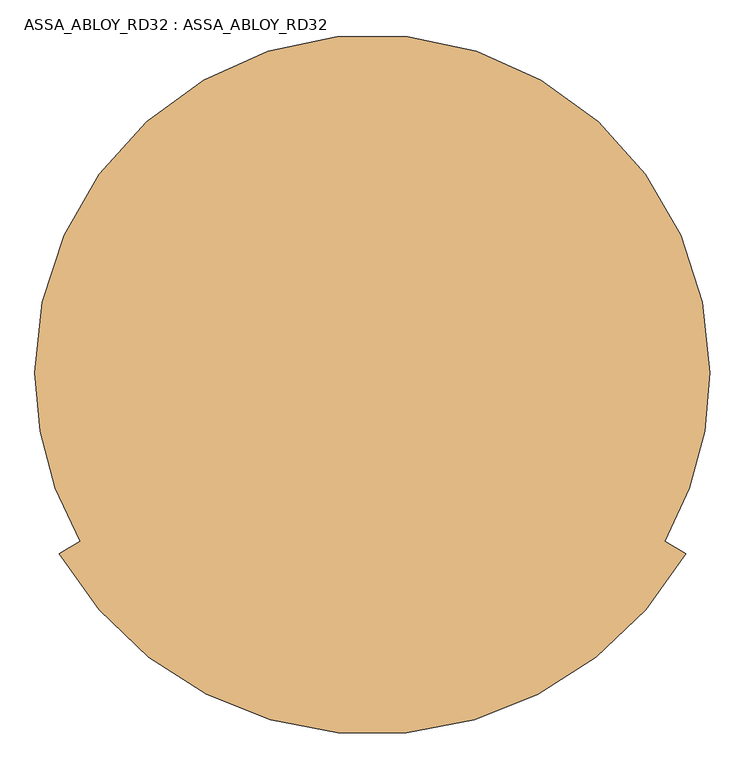
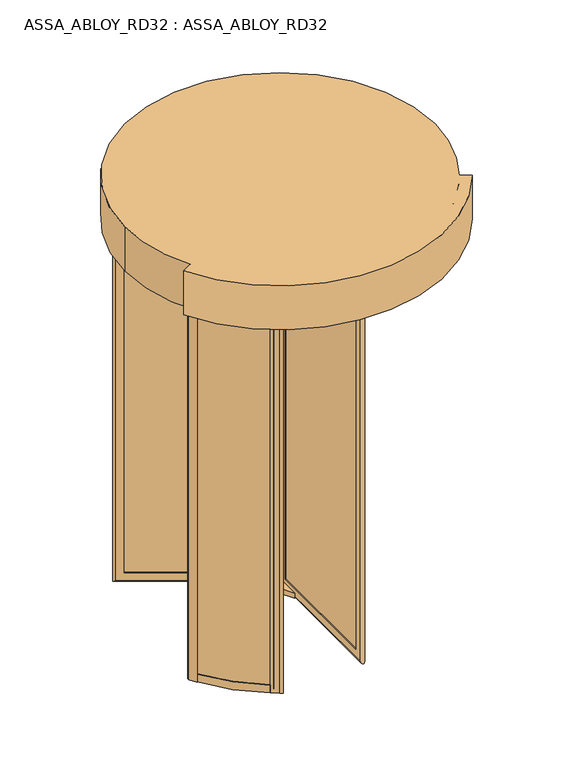
"""IFC4 building model written with IfcOpenShell, lengths in millimetres: door geometry, ASSA_ABLOY_RD32 : ASSA_ABLOY_RD32."""

from ifc_helpers import new_model, si_unit, point, frame, frame_2d, origin, origin_with_axes, place, context, project, spatial, polyline, circle_curve, ellipse_curve, trimmed, segment, composite_curve, outline, extrude, source, transform, mapped, element, save
from ifc_brep_helpers import plane_surface, cylinder_surface, revolved_surface, advanced_brep


def assa_abloy_rd32_assa_abloy_rd32_711bb0fd(model_context):
    return source(origin(), model_context, "Body", "SolidModel", [
        advanced_brep(
        [(1125.0, 0.0, 2800.0), (-875.0, 0.0, 2800.0), (-741.0254038, -500.0, 2800.0), (-803.3792329, -536.0, 2800.0), (1053.3792329, -536.0, 2800.0), (991.0254038, -500.0, 2800.0), (-875.0, 0.0, 2500.0), (1125.0, 0.0, 2500.0), (991.0254038, -500.0, 2785.0), (-741.0254038, -500.0, 2785.0), (1053.3792329, -536.0, 2500.0), (1042.986928, -530.0, 2500.0), (1042.986928, -530.0, 2785.0), (-792.986928, -530.0, 2785.0), (-792.986928, -530.0, 2500.0), (-803.3792329, -536.0, 2500.0)],
        [
            (0, 1, circle_curve(frame((125.0, 0.0, 2800.0), z_axis=(0.0, 0.0, 1.0), x_axis=(1.0, 0.0, 0.0)), 1000.0)),
            (1, 2, circle_curve(frame((125.0, 0.0, 2800.0), z_axis=(0.0, 0.0, 1.0), x_axis=(1.0, 0.0, 0.0)), 1000.0)),
            (2, 3),
            (3, 4, circle_curve(frame((125.0, 0.0, 2800.0), z_axis=(0.0, 0.0, 1.0), x_axis=(0.8660254037844377, -0.5000000000000016, 0.0)), 1072.0)),
            (4, 5),
            (5, 0, circle_curve(frame((125.0, 0.0, 2800.0), z_axis=(0.0, 0.0, 1.0), x_axis=(1.0, 0.0, 0.0)), 1000.0)),
            (6, 7, circle_curve(frame((125.0, 0.0, 2500.0), z_axis=(0.0, 0.0, -1.0), x_axis=(1.0, 0.0, 0.0)), 1000.0)),
            (7, 6, circle_curve(frame((125.0, 0.0, 2500.0), z_axis=(0.0, 0.0, -1.0), x_axis=(1.0, 0.0, 0.0)), 1000.0)),
            (0, 7),
            (6, 1),
            (5, 8),
            (8, 9, circle_curve(frame((125.0, 0.0, 2785.0), z_axis=(0.0, 0.0, -1.0), x_axis=(1.0, 0.0, 0.0)), 1000.0)),
            (9, 2),
            (4, 10),
            (10, 11),
            (11, 12),
            (12, 8),
            (13, 14),
            (14, 15),
            (15, 3),
            (9, 13),
            (15, 10, circle_curve(frame((125.0, 0.0, 2500.0), z_axis=(0.0, 0.0, 1.0), x_axis=(0.8660254037844377, -0.5000000000000016, 0.0)), 1072.0)),
            (14, 11, circle_curve(frame((125.0, 0.0, 2500.0), z_axis=(0.0, 0.0, 1.0), x_axis=(0.8660254037844377, -0.5000000000000016, 0.0)), 1060.0)),
            (13, 12, circle_curve(frame((125.0, 0.0, 2785.0), z_axis=(0.0, 0.0, 1.0), x_axis=(0.8660254037844377, -0.5000000000000016, 0.0)), 1060.0)),
        ],
        [
            plane_surface(frame((1125.0, 0.0, 2800.0), z_axis=(0.0, 0.0, 1.0), x_axis=(0.0, 1.0, 0.0))),
            plane_surface(frame((1125.0, 0.0, 2500.0), z_axis=(0.0, 0.0, -1.0), x_axis=(0.0, -1.0, 0.0))),
            cylinder_surface(frame((125.0, 0.0, 2500.0), z_axis=(0.0, 0.0, 1.0), x_axis=(1.0, 0.0, 0.0)), 1000.0),
            plane_surface(frame((988.4273276, -498.5, 2800.0), z_axis=(0.5000000000000017, 0.8660254037844378, 0.0), x_axis=(0.0, 0.0, 1.0))),
            plane_surface(frame((-738.4273276, -498.5, 2800.0), z_axis=(-0.5000000000000142, 0.8660254037844305, 0.0), x_axis=(0.0, 0.0, 1.0))),
            cylinder_surface(frame((125.0, 0.0, 2800.0), z_axis=(0.0, 0.0, -1.0), x_axis=(0.8660254037844377, -0.5000000000000016, 0.0)), 1072.0),
            plane_surface(frame((125.0, 0.0, 2500.0), z_axis=(0.0, 0.0, -1.0000000000000002), x_axis=(0.8660254037844378, -0.5000000000000017, 0.0))),
            revolved_surface(polyline([(1042.986928011504, -530.0000000000016, 2500.0), (1042.986928011504, -530.0000000000016, 2785.0)]), (125.0, 0.0, 2800.0), (0.0, 0.0, -1.0)),
            plane_surface(frame((125.0, 0.0, 2785.0), z_axis=(0.0, 0.0, -1.0000000000000002), x_axis=(0.8660254037844378, -0.5000000000000017, 0.0))),
        ],
        [
            (0, [[1, 2, 3, 4, 5, 6]]),
            (1, [[7, 8]]),
            (2, [[-1, 9, -7, 10]]),
            (2, [[-8, -9, -6, 11, 12, 13, -2, -10]]),
            (3, [[14, 15, 16, 17, -11, -5]]),
            (4, [[18, 19, 20, -3, -13, 21]]),
            (5, [[-14, -4, -20, 22]]),
            (6, [[-15, -22, -19, 23]]),
            (7, [[-16, -23, -18, 24]]),
            (8, [[-24, -21, -12, -17]]),
        ],
    ),
        advanced_brep(
        [(881.0172302, 424.939746, 105.0), (882.5172302, 422.3416698, 105.0), (882.5172302, 422.3416698, 2395.0), (881.0172302, 424.939746, 2395.0), (888.3377382, 452.260254, 85.0), (898.3377382, 434.939746, 85.0), (898.3377382, 434.939746, 2415.0), (888.3377382, 452.260254, 2415.0), (869.5172302, 444.8583302, 105.0), (871.0172302, 442.260254, 105.0), (871.0172302, 442.260254, 2395.0), (869.5172302, 444.8583302, 2395.0), (927.5505512, 448.3416698, 53.0), (914.5505512, 470.8583302, 53.0), (914.5505512, 470.8583302, 2447.0), (927.5505512, 448.3416698, 2447.0), (201.6480577, 29.2416698, 2395.0), (200.1480577, 31.839746, 2395.0), (182.8275496, 21.839746, 2415.0), (172.8275496, 39.160254, 2415.0), (190.1480577, 49.160254, 2395.0), (188.6480577, 51.7583302, 2395.0), (143.6147367, 25.7583302, 2447.0), (156.6147367, 3.2416698, 2447.0), (201.6480577, 29.2416698, 105.0), (200.1480577, 31.839746, 105.0), (182.8275496, 21.839746, 85.0), (172.8275496, 39.160254, 85.0), (190.1480577, 49.160254, 105.0), (188.6480577, 51.7583302, 105.0), (143.6147367, 25.7583302, 53.0), (156.6147367, 3.2416698, 53.0)],
        [
            (0, 1),
            (1, 2),
            (2, 3),
            (3, 0),
            (4, 5),
            (5, 6),
            (6, 7),
            (7, 4),
            (8, 9),
            (9, 10),
            (10, 11),
            (11, 8),
            (12, 13, ellipse_curve(frame((921.0505512, 459.6, 53.0), z_axis=(0.6123724356958007, 0.35355339059326285, 0.7071067811865475), x_axis=(0.6123724356957908, 0.3535533905932797, -0.7071067811865477)), 18.3847763, 13.0)),
            (13, 14),
            (14, 15, ellipse_curve(frame((921.0505512, 459.6, 2447.0), z_axis=(0.612372435695791, 0.3535533905932798, -0.7071067811865475), x_axis=(-0.6123724356958007, -0.3535533905932628, -0.7071067811865476)), 18.3847763, 13.0)),
            (15, 12),
            (2, 16),
            (16, 17),
            (17, 3),
            (6, 18),
            (18, 19),
            (19, 7),
            (10, 20),
            (20, 21),
            (21, 11),
            (14, 22),
            (22, 23, ellipse_curve(frame((150.1147367, 14.5, 2447.0), z_axis=(0.6123724356958007, 0.35355339059326285, 0.7071067811865475), x_axis=(0.6123724356957913, 0.35355339059327995, -0.7071067811865472)), 18.3847763, 13.0)),
            (23, 15),
            (16, 24),
            (24, 25),
            (25, 17),
            (18, 26),
            (26, 27),
            (27, 19),
            (20, 28),
            (28, 29),
            (29, 21),
            (22, 30),
            (30, 31, ellipse_curve(frame((150.1147367, 14.5, 53.0), z_axis=(-0.612372435695791, -0.3535533905932798, 0.7071067811865475), x_axis=(0.6123724356958007, 0.3535533905932628, 0.7071067811865476)), 18.3847763, 13.0)),
            (31, 23),
            (24, 1),
            (0, 25),
            (5, 26),
            (4, 27),
            (9, 28),
            (8, 29),
            (13, 30),
            (12, 31),
        ],
        [
            plane_surface(frame((882.5172302, 422.3416698, 105.0), z_axis=(-0.8660254037844419, -0.49999999999999445, 0.0), x_axis=(0.0, 0.0, 1.0))),
            plane_surface(frame((898.3377382, 434.939746, 85.0), z_axis=(-0.8660254037844408, -0.4999999999999964, 0.0), x_axis=(0.0, 0.0, 1.0))),
            plane_surface(frame((871.0172302, 442.260254, 105.0), z_axis=(-0.8660254037844419, -0.49999999999999445, 0.0), x_axis=(0.0, 0.0, 1.0))),
            cylinder_surface(frame((921.0505512, 459.6, 40.0), z_axis=(0.0, 0.0, -1.0), x_axis=(-0.8660254037844406, -0.4999999999999966, 0.0)), 13.0),
            plane_surface(frame((882.5172302, 422.3416698, 2395.0), z_axis=(0.0, 0.0, -1.0), x_axis=(-0.8660254037844406, -0.4999999999999966, 0.0))),
            plane_surface(frame((898.3377382, 434.939746, 2415.0), z_axis=(0.0, 0.0, -1.0), x_axis=(-0.8660254037844406, -0.4999999999999966, 0.0))),
            plane_surface(frame((871.0172302, 442.260254, 2395.0), z_axis=(0.0, 0.0, -1.0), x_axis=(-0.8660254037844406, -0.4999999999999966, 0.0))),
            cylinder_surface(frame((932.3088814, 466.1, 2447.0), z_axis=(0.8660254037844406, 0.4999999999999966, 0.0), x_axis=(0.0, 0.0, -1.0)), 13.0),
            plane_surface(frame((201.6480577, 29.2416698, 2395.0), z_axis=(0.8660254037844394, 0.49999999999999883, 0.0), x_axis=(0.0, 0.0, -1.0))),
            plane_surface(frame((182.8275496, 21.839746, 2415.0), z_axis=(0.8660254037844405, 0.4999999999999969, 0.0), x_axis=(0.0, 0.0, -1.0))),
            plane_surface(frame((190.1480577, 49.160254, 2395.0), z_axis=(0.8660254037844394, 0.49999999999999883, 0.0), x_axis=(0.0, 0.0, -1.0))),
            cylinder_surface(frame((150.1147367, 14.5, 2460.0), z_axis=(0.0, 0.0, 1.0), x_axis=(0.8660254037844406, 0.4999999999999966, 0.0)), 13.0),
            plane_surface(frame((201.6480577, 29.2416698, 105.0), z_axis=(0.0, 0.0, 1.0), x_axis=(0.8660254037844406, 0.4999999999999966, 0.0))),
            plane_surface(frame((200.1480577, 31.839746, 105.0), z_axis=(-0.4999999999999966, 0.8660254037844406, 0.0), x_axis=(0.8660254037844406, 0.4999999999999966, 0.0))),
            plane_surface(frame((182.8275496, 21.839746, 85.0), z_axis=(0.0, 0.0, 1.0), x_axis=(0.8660254037844406, 0.4999999999999966, 0.0))),
            plane_surface(frame((172.8275496, 39.160254, 85.0), z_axis=(0.4999999999999966, -0.8660254037844406, 0.0), x_axis=(0.8660254037844406, 0.4999999999999966, 0.0))),
            plane_surface(frame((190.1480577, 49.160254, 105.0), z_axis=(0.0, 0.0, 1.0), x_axis=(0.8660254037844406, 0.4999999999999966, 0.0))),
            plane_surface(frame((188.6480577, 51.7583302, 105.0), z_axis=(-0.4999999999999966, 0.8660254037844406, 0.0), x_axis=(0.8660254037844406, 0.4999999999999966, 0.0))),
            cylinder_surface(frame((138.8564065, 8.0, 53.0), z_axis=(-0.8660254037844406, -0.4999999999999966, 0.0), x_axis=(0.0, 0.0, 1.0)), 13.0),
            plane_surface(frame((156.6147367, 3.2416698, 53.0), z_axis=(0.4999999999999966, -0.8660254037844406, 0.0), x_axis=(0.8660254037844406, 0.4999999999999966, 0.0))),
        ],
        [
            (0, [[1, 2, 3, 4]]),
            (1, [[5, 6, 7, 8]]),
            (2, [[9, 10, 11, 12]]),
            (3, [[13, 14, 15, 16]]),
            (4, [[-3, 17, 18, 19]]),
            (5, [[-7, 20, 21, 22]]),
            (6, [[-11, 23, 24, 25]]),
            (7, [[-15, 26, 27, 28]]),
            (8, [[-18, 29, 30, 31]]),
            (9, [[-21, 32, 33, 34]]),
            (10, [[-24, 35, 36, 37]]),
            (11, [[-27, 38, 39, 40]]),
            (12, [[-30, 41, -1, 42]]),
            (13, [[43, -32, -20, -6], [-19, -31, -42, -4]]),
            (14, [[-33, -43, -5, 44]]),
            (15, [[-22, -34, -44, -8], [45, -35, -23, -10]]),
            (16, [[-36, -45, -9, 46]]),
            (17, [[47, -38, -26, -14], [-25, -37, -46, -12]]),
            (18, [[-39, -47, -13, 48]]),
            (19, [[-28, -40, -48, -16], [-41, -29, -17, -2]]),
        ],
    ),
        extrude(outline(polyline([(890.8377382, 447.930127), (895.8377382, 439.269873), (180.3275496, 26.169873), (175.3275496, 34.830127), (890.8377382, 447.930127)])), frame((0.0, 0.0, 85.0), z_axis=(0.0, 0.0, 1.0), x_axis=(1.0, 0.0, 0.0)), (0.0, 0.0, 1.0), 2330.0),
        advanced_brep(
        [(-621.0172302, 442.260254, 105.0), (-619.5172302, 444.8583302, 105.0), (-619.5172302, 444.8583302, 2395.0), (-621.0172302, 442.260254, 2395.0), (-648.3377382, 434.939746, 85.0), (-638.3377382, 452.260254, 85.0), (-638.3377382, 452.260254, 2415.0), (-648.3377382, 434.939746, 2415.0), (-632.5172302, 422.3416698, 105.0), (-631.0172302, 424.939746, 105.0), (-631.0172302, 424.939746, 2395.0), (-632.5172302, 422.3416698, 2395.0), (-664.5505512, 470.8583302, 53.0), (-677.5505512, 448.3416698, 53.0), (-677.5505512, 448.3416698, 2447.0), (-664.5505512, 470.8583302, 2447.0), (61.3519423, 51.7583302, 2395.0), (59.8519423, 49.160254, 2395.0), (77.1724504, 39.160254, 2415.0), (67.1724504, 21.839746, 2415.0), (49.8519423, 31.839746, 2395.0), (48.3519423, 29.2416698, 2395.0), (93.3852633, 3.2416698, 2447.0), (106.3852633, 25.7583302, 2447.0), (61.3519423, 51.7583302, 105.0), (59.8519423, 49.160254, 105.0), (77.1724504, 39.160254, 85.0), (67.1724504, 21.839746, 85.0), (49.8519423, 31.839746, 105.0), (48.3519423, 29.2416698, 105.0), (93.3852633, 3.2416698, 53.0), (106.3852633, 25.7583302, 53.0)],
        [
            (0, 1),
            (1, 2),
            (2, 3),
            (3, 0),
            (4, 5),
            (5, 6),
            (6, 7),
            (7, 4),
            (8, 9),
            (9, 10),
            (10, 11),
            (11, 8),
            (12, 13, ellipse_curve(frame((-671.0505512, 459.6, 53.0), z_axis=(-0.612372435695792, 0.35355339059327806, 0.7071067811865475), x_axis=(-0.6123724356958017, 0.3535533905932611, -0.7071067811865476)), 18.3847763, 13.0)),
            (13, 14),
            (14, 15, ellipse_curve(frame((-671.0505512, 459.6, 2447.0), z_axis=(-0.6123724356958017, 0.35355339059326113, -0.7071067811865475), x_axis=(0.6123724356957919, -0.353553390593278, -0.7071067811865477)), 18.3847763, 13.0)),
            (15, 12),
            (2, 16),
            (16, 17),
            (17, 3),
            (6, 18),
            (18, 19),
            (19, 7),
            (10, 20),
            (20, 21),
            (21, 11),
            (14, 22),
            (22, 23, ellipse_curve(frame((99.8852633, 14.5, 2447.0), z_axis=(-0.612372435695792, 0.35355339059327806, 0.7071067811865475), x_axis=(-0.6123724356958017, 0.3535533905932612, -0.7071067811865475)), 18.3847763, 13.0)),
            (23, 15),
            (16, 24),
            (24, 25),
            (25, 17),
            (18, 26),
            (26, 27),
            (27, 19),
            (20, 28),
            (28, 29),
            (29, 21),
            (22, 30),
            (30, 31, ellipse_curve(frame((99.8852633, 14.5, 53.0), z_axis=(0.6123724356958017, -0.35355339059326113, 0.7071067811865475), x_axis=(-0.6123724356957919, 0.353553390593278, 0.7071067811865477)), 18.3847763, 13.0)),
            (31, 23),
            (24, 1),
            (0, 25),
            (5, 26),
            (4, 27),
            (9, 28),
            (8, 29),
            (13, 30),
            (12, 31),
        ],
        [
            plane_surface(frame((-619.5172302, 444.8583302, 105.0), z_axis=(0.8660254037844408, -0.4999999999999964, 0.0), x_axis=(0.0, 0.0, 1.0))),
            plane_surface(frame((-638.3377382, 452.260254, 85.0), z_axis=(0.8660254037844419, -0.49999999999999445, 0.0), x_axis=(0.0, 0.0, 1.0))),
            plane_surface(frame((-631.0172302, 424.939746, 105.0), z_axis=(0.8660254037844408, -0.4999999999999964, 0.0), x_axis=(0.0, 0.0, 1.0))),
            cylinder_surface(frame((-671.0505512, 459.6, 40.0), z_axis=(0.0, 0.0, -1.0), x_axis=(0.8660254037844415, -0.49999999999999384, 0.0)), 13.0),
            plane_surface(frame((-619.5172302, 444.8583302, 2395.0), z_axis=(0.0, 0.0, -1.0), x_axis=(0.866025403784442, -0.49999999999999417, 0.0))),
            plane_surface(frame((-638.3377382, 452.260254, 2415.0), z_axis=(0.0, 0.0, -1.0), x_axis=(0.866025403784442, -0.49999999999999417, 0.0))),
            plane_surface(frame((-631.0172302, 424.939746, 2395.0), z_axis=(0.0, 0.0, -1.0), x_axis=(0.866025403784442, -0.49999999999999417, 0.0))),
            cylinder_surface(frame((-682.3088814, 466.1, 2447.0), z_axis=(-0.8660254037844415, 0.49999999999999384, 0.0), x_axis=(0.0, 0.0, -1.0)), 13.0),
            plane_surface(frame((61.3519423, 51.7583302, 2395.0), z_axis=(-0.8660254037844433, 0.49999999999999195, 0.0), x_axis=(0.0, 0.0, -1.0))),
            plane_surface(frame((77.1724504, 39.160254, 2415.0), z_axis=(-0.8660254037844421, 0.4999999999999939, 0.0), x_axis=(0.0, 0.0, -1.0))),
            plane_surface(frame((49.8519423, 31.839746, 2395.0), z_axis=(-0.8660254037844433, 0.49999999999999195, 0.0), x_axis=(0.0, 0.0, -1.0))),
            cylinder_surface(frame((99.8852633, 14.5, 2460.0), z_axis=(0.0, 0.0, 1.0), x_axis=(-0.8660254037844415, 0.49999999999999384, 0.0)), 13.0),
            plane_surface(frame((61.3519423, 51.7583302, 105.0), z_axis=(0.0, 0.0, 1.0), x_axis=(-0.866025403784442, 0.49999999999999417, 0.0))),
            plane_surface(frame((59.8519423, 49.160254, 105.0), z_axis=(-0.49999999999999417, -0.866025403784442, 0.0), x_axis=(-0.866025403784442, 0.49999999999999417, 0.0))),
            plane_surface(frame((77.1724504, 39.160254, 85.0), z_axis=(0.0, 0.0, 1.0), x_axis=(-0.866025403784442, 0.49999999999999417, 0.0))),
            plane_surface(frame((67.1724504, 21.839746, 85.0), z_axis=(0.49999999999999417, 0.866025403784442, 0.0), x_axis=(-0.866025403784442, 0.49999999999999417, 0.0))),
            plane_surface(frame((49.8519423, 31.839746, 105.0), z_axis=(0.0, 0.0, 1.0), x_axis=(-0.866025403784442, 0.49999999999999417, 0.0))),
            plane_surface(frame((48.3519423, 29.2416698, 105.0), z_axis=(-0.49999999999999417, -0.866025403784442, 0.0), x_axis=(-0.866025403784442, 0.49999999999999417, 0.0))),
            cylinder_surface(frame((111.1435935, 8.0, 53.0), z_axis=(0.8660254037844415, -0.49999999999999384, 0.0), x_axis=(0.0, 0.0, 1.0)), 13.0),
            plane_surface(frame((106.3852633, 25.7583302, 53.0), z_axis=(0.49999999999999417, 0.866025403784442, 0.0), x_axis=(-0.866025403784442, 0.49999999999999417, 0.0))),
        ],
        [
            (0, [[1, 2, 3, 4]]),
            (1, [[5, 6, 7, 8]]),
            (2, [[9, 10, 11, 12]]),
            (3, [[13, 14, 15, 16]]),
            (4, [[-3, 17, 18, 19]]),
            (5, [[-7, 20, 21, 22]]),
            (6, [[-11, 23, 24, 25]]),
            (7, [[-15, 26, 27, 28]]),
            (8, [[-18, 29, 30, 31]]),
            (9, [[-21, 32, 33, 34]]),
            (10, [[-24, 35, 36, 37]]),
            (11, [[-27, 38, 39, 40]]),
            (12, [[-30, 41, -1, 42]]),
            (13, [[43, -32, -20, -6], [-19, -31, -42, -4]]),
            (14, [[-33, -43, -5, 44]]),
            (15, [[-22, -34, -44, -8], [45, -35, -23, -10]]),
            (16, [[-36, -45, -9, 46]]),
            (17, [[47, -38, -26, -14], [-25, -37, -46, -12]]),
            (18, [[-39, -47, -13, 48]]),
            (19, [[-28, -40, -48, -16], [-41, -29, -17, -2]]),
        ],
    ),
        extrude(outline(polyline([(-645.8377382, 439.269873), (-640.8377382, 447.930127), (74.6724504, 34.830127), (69.6724504, 26.169873), (-645.8377382, 439.269873)])), frame((0.0, 0.0, 85.0), z_axis=(0.0, 0.0, 1.0), x_axis=(1.0, 0.0, 0.0)), (0.0, 0.0, 1.0), 2330.0),
        advanced_brep(
        [(115.0, -867.2, 105.0), (112.0, -867.2, 105.0), (112.0, -867.2, 2395.0), (115.0, -867.2, 2395.0), (135.0, -887.2, 85.0), (115.0, -887.2, 85.0), (115.0, -887.2, 2415.0), (135.0, -887.2, 2415.0), (138.0, -867.2, 105.0), (135.0, -867.2, 105.0), (135.0, -867.2, 2395.0), (138.0, -867.2, 2395.0), (112.0, -919.2, 53.0), (138.0, -919.2, 53.0), (138.0, -919.2, 2447.0), (112.0, -919.2, 2447.0), (112.0, -81.0, 2395.0), (115.0, -81.0, 2395.0), (115.0, -61.0, 2415.0), (135.0, -61.0, 2415.0), (135.0, -81.0, 2395.0), (138.0, -81.0, 2395.0), (138.0, -29.0, 2447.0), (112.0, -29.0, 2447.0), (112.0, -81.0, 105.0), (115.0, -81.0, 105.0), (115.0, -61.0, 85.0), (135.0, -61.0, 85.0), (135.0, -81.0, 105.0), (138.0, -81.0, 105.0), (138.0, -29.0, 53.0), (112.0, -29.0, 53.0)],
        [
            (0, 1),
            (1, 2),
            (2, 3),
            (3, 0),
            (4, 5),
            (5, 6),
            (6, 7),
            (7, 4),
            (8, 9),
            (9, 10),
            (10, 11),
            (11, 8),
            (12, 13, ellipse_curve(frame((125.0, -919.2, 53.0), z_axis=(0.0, -0.7071067811865475, 0.7071067811865475), x_axis=(0.0, -0.7071067811865474, -0.7071067811865476)), 18.3847763, 13.0)),
            (13, 14),
            (14, 15, ellipse_curve(frame((125.0, -919.2, 2447.0), z_axis=(0.0, -0.7071067811865475, -0.7071067811865475), x_axis=(0.0, 0.7071067811865474, -0.7071067811865476)), 18.3847763, 13.0)),
            (15, 12),
            (2, 16),
            (16, 17),
            (17, 3),
            (6, 18),
            (18, 19),
            (19, 7),
            (10, 20),
            (20, 21),
            (21, 11),
            (14, 22),
            (22, 23, ellipse_curve(frame((125.0, -29.0, 2447.0), z_axis=(0.0, -0.7071067811865475, 0.7071067811865475), x_axis=(0.0, -0.7071067811865476, -0.7071067811865474)), 18.3847763, 13.0)),
            (23, 15),
            (16, 24),
            (24, 25),
            (25, 17),
            (18, 26),
            (26, 27),
            (27, 19),
            (20, 28),
            (28, 29),
            (29, 21),
            (22, 30),
            (30, 31, ellipse_curve(frame((125.0, -29.0, 53.0), z_axis=(0.0, 0.7071067811865475, 0.7071067811865475), x_axis=(0.0, -0.7071067811865474, 0.7071067811865476)), 18.3847763, 13.0)),
            (31, 23),
            (24, 1),
            (0, 25),
            (5, 26),
            (4, 27),
            (9, 28),
            (8, 29),
            (13, 30),
            (12, 31),
        ],
        [
            plane_surface(frame((112.0, -867.2, 105.0), z_axis=(0.0, 1.0, 0.0), x_axis=(0.0, 0.0, 1.0))),
            plane_surface(frame((115.0, -887.2, 85.0), z_axis=(0.0, 1.0, 0.0), x_axis=(0.0, 0.0, 1.0))),
            plane_surface(frame((135.0, -867.2, 105.0), z_axis=(0.0, 1.0, 0.0), x_axis=(0.0, 0.0, 1.0))),
            cylinder_surface(frame((125.0, -919.2, 40.0), z_axis=(0.0, 0.0, -1.0), x_axis=(0.0, 1.0000000000000009, 0.0)), 13.0),
            plane_surface(frame((112.0, -867.2, 2395.0), z_axis=(0.0, 0.0, -1.0), x_axis=(0.0, 1.0, 0.0))),
            plane_surface(frame((115.0, -887.2, 2415.0), z_axis=(0.0, 0.0, -1.0), x_axis=(0.0, 1.0, 0.0))),
            plane_surface(frame((135.0, -867.2, 2395.0), z_axis=(0.0, 0.0, -1.0), x_axis=(0.0, 1.0, 0.0))),
            cylinder_surface(frame((125.0, -932.2, 2447.0), z_axis=(0.0, -1.0000000000000009, 0.0), x_axis=(0.0, 0.0, -1.0)), 13.0),
            plane_surface(frame((112.0, -81.0, 2395.0), z_axis=(0.0, -1.0, 0.0), x_axis=(0.0, 0.0, -1.0))),
            plane_surface(frame((115.0, -61.0, 2415.0), z_axis=(0.0, -1.0, 0.0), x_axis=(0.0, 0.0, -1.0))),
            plane_surface(frame((135.0, -81.0, 2395.0), z_axis=(0.0, -1.0, 0.0), x_axis=(0.0, 0.0, -1.0))),
            cylinder_surface(frame((125.0, -29.0, 2460.0), z_axis=(0.0, 0.0, 1.0), x_axis=(0.0, -1.0000000000000009, 0.0)), 13.0),
            plane_surface(frame((112.0, -81.0, 105.0), z_axis=(0.0, 0.0, 1.0), x_axis=(0.0, -1.0, 0.0))),
            plane_surface(frame((115.0, -81.0, 105.0), z_axis=(1.0, 0.0, 0.0), x_axis=(0.0, -1.0, 0.0))),
            plane_surface(frame((115.0, -61.0, 85.0), z_axis=(0.0, 0.0, 1.0), x_axis=(0.0, -1.0, 0.0))),
            plane_surface(frame((135.0, -61.0, 85.0), z_axis=(-1.0, 0.0, 0.0), x_axis=(0.0, -1.0, 0.0))),
            plane_surface(frame((135.0, -81.0, 105.0), z_axis=(0.0, 0.0, 1.0), x_axis=(0.0, -1.0, 0.0))),
            plane_surface(frame((138.0, -81.0, 105.0), z_axis=(1.0, 0.0, 0.0), x_axis=(0.0, -1.0, 0.0))),
            cylinder_surface(frame((125.0, -16.0, 53.0), z_axis=(0.0, 1.0000000000000009, 0.0), x_axis=(0.0, 0.0, 1.0)), 13.0),
            plane_surface(frame((112.0, -29.0, 53.0), z_axis=(-1.0, 0.0, 0.0), x_axis=(0.0, -1.0, 0.0))),
        ],
        [
            (0, [[1, 2, 3, 4]]),
            (1, [[5, 6, 7, 8]]),
            (2, [[9, 10, 11, 12]]),
            (3, [[13, 14, 15, 16]]),
            (4, [[-3, 17, 18, 19]]),
            (5, [[-7, 20, 21, 22]]),
            (6, [[-11, 23, 24, 25]]),
            (7, [[-15, 26, 27, 28]]),
            (8, [[-18, 29, 30, 31]]),
            (9, [[-21, 32, 33, 34]]),
            (10, [[-24, 35, 36, 37]]),
            (11, [[-27, 38, 39, 40]]),
            (12, [[-30, 41, -1, 42]]),
            (13, [[43, -32, -20, -6], [-19, -31, -42, -4]]),
            (14, [[-33, -43, -5, 44]]),
            (15, [[-22, -34, -44, -8], [45, -35, -23, -10]]),
            (16, [[-36, -45, -9, 46]]),
            (17, [[47, -38, -26, -14], [-25, -37, -46, -12]]),
            (18, [[-39, -47, -13, 48]]),
            (19, [[-28, -40, -48, -16], [-41, -29, -17, -2]]),
        ],
    ),
        extrude(outline(polyline([(130.0, -887.2), (120.0, -887.2), (120.0, -61.0), (130.0, -61.0), (130.0, -887.2)])), frame((0.0, 0.0, 85.0), z_axis=(0.0, 0.0, 1.0), x_axis=(1.0, 0.0, 0.0)), (0.0, 0.0, 1.0), 2330.0),
        extrude(outline(polyline([(112.0, -191.5593903), (-47.3952983, 84.5213649), (112.0, -7.5055535), (112.0, -191.5593903)])), frame((0.0, 0.0, 2460.0), z_axis=(0.0, 0.0, 1.0), x_axis=(1.0, 0.0, 0.0)), (0.0, 0.0, 1.0), 31.5),
        extrude(outline(polyline([(-34.3952983, 107.0380254), (284.3952983, 107.0380254), (125.0, 15.011107), (-34.3952983, 107.0380254)])), frame((0.0, 0.0, 2460.0), z_axis=(0.0, 0.0, 1.0), x_axis=(1.0, 0.0, 0.0)), (0.0, 0.0, 1.0), 31.5),
        extrude(outline(polyline([(297.3952983, 84.5213649), (138.0, -191.5593903), (138.0, -7.5055535), (297.3952983, 84.5213649)])), frame((0.0, 0.0, 2460.0), z_axis=(0.0, 0.0, 1.0), x_axis=(1.0, 0.0, 0.0)), (0.0, 0.0, 1.0), 31.5),
        extrude(outline(polyline([(297.3952983, 84.5213649), (138.0, -191.5593903), (138.0, -7.5055535), (297.3952983, 84.5213649)])), frame((0.0, 0.0, 40.0), z_axis=(0.0, 0.0, 1.0), x_axis=(1.0, 0.0, 0.0)), (0.0, 0.0, 1.0), 34.93),
        extrude(outline(polyline([(112.0, -191.5593903), (-47.3952983, 84.5213649), (112.0, -7.5055535), (112.0, -191.5593903)])), frame((0.0, 0.0, 40.0), z_axis=(0.0, 0.0, 1.0), x_axis=(1.0, 0.0, 0.0)), (0.0, 0.0, 1.0), 34.93),
        extrude(outline(polyline([(-34.3952983, 107.0380254), (284.3952983, 107.0380254), (125.0, 15.011107), (-34.3952983, 107.0380254)])), frame((0.0, 0.0, 40.0), z_axis=(0.0, 0.0, 1.0), x_axis=(1.0, 0.0, 0.0)), (0.0, 0.0, 1.0), 34.93),
        extrude(outline(composite_curve([segment(trimmed(circle_curve(frame_2d((125.0, 0.0)), 12.5), [point((137.5, 0.0))], [point((112.5, 0.0))], False, "CARTESIAN"), True, "CONTINUOUS"), segment(trimmed(circle_curve(frame_2d((125.0, 0.0)), 12.5), [point((112.5, 0.0))], [point((137.5, 0.0))], False, "CARTESIAN"), True, "CONTINUOUS")], self_intersect=False)), origin_with_axes(), (0.0, 0.0, 1.0), 2500.0),
        extrude(outline(composite_curve([segment(trimmed(circle_curve(frame_2d((125.0, 0.0)), 1030.5), [point((-740.9480504, -558.6270885))], [point((-418.4291296, -875.5655493))], True, "CARTESIAN"), True, "CONTINUOUS"), segment(polyline([(-418.4291296, -875.5655493), (-423.7025806, -884.0620612)]), True, "CONTINUOUS"), segment(trimmed(circle_curve(frame_2d((125.0, 0.0)), 1040.5), [point((-423.7025806, -884.0620612))], [point((-749.3512338, -564.0480209))], False, "CARTESIAN"), True, "CONTINUOUS"), segment(polyline([(-749.3512338, -564.0480209), (-740.9480504, -558.6270885)]), True, "CONTINUOUS")], self_intersect=False)), frame((0.0, 0.0, 33.0), z_axis=(0.0, 0.0, 1.0), x_axis=(1.0, 0.0, 0.0)), (0.0, 0.0, 1.0), 2467.0),
        advanced_brep(
        [(-430.3575895, -858.5360783, 2556.0), (-444.4791517, -880.3668246, 2556.0), (-444.4791517, -880.3668246, 2503.0), (-442.8497407, -877.8478923, 2503.0), (-442.8497407, -877.8478923, 2523.0), (-431.9870005, -861.0550106, 2523.0), (-431.9870005, -861.0550106, 2503.0), (-430.3575895, -858.5360783, 2503.0), (-723.7129927, -570.2565264, 2556.0), (-723.7129927, -570.2565264, 2503.0), (-726.2031042, -571.9296507, 2503.0), (-726.2031042, -571.9296507, 2523.0), (-742.8038474, -583.0838126, 2523.0), (-742.8038474, -583.0838126, 2503.0), (-745.2939588, -584.7569369, 2503.0), (-745.2939588, -584.7569369, 2556.0)],
        [
            (0, 1),
            (1, 2),
            (2, 3),
            (3, 4),
            (4, 5),
            (5, 6),
            (6, 7),
            (7, 0),
            (8, 9),
            (9, 10),
            (10, 11),
            (11, 12),
            (12, 13),
            (13, 14),
            (14, 15),
            (15, 8),
            (15, 1, circle_curve(frame((125.0, 0.0, 2556.0), z_axis=(0.0, 0.0, 1.0), x_axis=(-0.543137006851107, -0.8396440863775679, 0.0)), 1048.5)),
            (0, 8, circle_curve(frame((125.0, 0.0, 2556.0), z_axis=(0.0, 0.0, -1.0), x_axis=(-0.543137006851107, -0.8396440863775679, 0.0)), 1022.5)),
            (14, 2, circle_curve(frame((125.0, 0.0, 2503.0), z_axis=(0.0, 0.0, 1.0), x_axis=(-0.543137006851107, -0.8396440863775679, 0.0)), 1048.5)),
            (13, 3, circle_curve(frame((125.0, 0.0, 2503.0), z_axis=(0.0, 0.0, 1.0), x_axis=(-0.543137006851107, -0.8396440863775679, 0.0)), 1045.5)),
            (12, 4, circle_curve(frame((125.0, 0.0, 2523.0), z_axis=(0.0, 0.0, 1.0), x_axis=(-0.543137006851107, -0.8396440863775679, 0.0)), 1045.5)),
            (11, 5, circle_curve(frame((125.0, 0.0, 2523.0), z_axis=(0.0, 0.0, 1.0), x_axis=(-0.543137006851107, -0.8396440863775679, 0.0)), 1025.5)),
            (10, 6, circle_curve(frame((125.0, 0.0, 2503.0), z_axis=(0.0, 0.0, 1.0), x_axis=(-0.543137006851107, -0.8396440863775679, 0.0)), 1025.5)),
            (9, 7, circle_curve(frame((125.0, 0.0, 2503.0), z_axis=(0.0, 0.0, 1.0), x_axis=(-0.543137006851107, -0.8396440863775679, 0.0)), 1022.5)),
        ],
        [
            plane_surface(frame((-444.4791517, -880.3668246, 2556.0), z_axis=(0.8396440863775679, -0.543137006851107, 0.0), x_axis=(0.0, 0.0, 1.0))),
            plane_surface(frame((-745.2939588, -584.7569369, 2556.0), z_axis=(-0.55770809431236, 0.8300371567215987, 0.0), x_axis=(0.0, 0.0, 1.0))),
            plane_surface(frame((125.0, 0.0, 2556.0), z_axis=(0.0, 0.0, 1.0000000000000002), x_axis=(-0.543137006851107, -0.8396440863775679, 0.0))),
            cylinder_surface(frame((125.0, 0.0, 2556.0), z_axis=(0.0, 0.0, -1.0), x_axis=(-0.543137006851107, -0.8396440863775679, 0.0)), 1048.5),
            plane_surface(frame((125.0, 0.0, 2503.0), z_axis=(0.0, 0.0, -1.0000000000000002), x_axis=(-0.543137006851107, -0.8396440863775679, 0.0))),
            revolved_surface(polyline([(-442.84974066283235, -877.8478923077473, 2503.0), (-442.84974066283235, -877.8478923077473, 2523.0)]), (125.0, 0.0, 2556.0), (0.0, 0.0, -1.0)),
            plane_surface(frame((125.0, 0.0, 2523.0), z_axis=(0.0, 0.0, -1.0000000000000002), x_axis=(-0.543137006851107, -0.8396440863775679, 0.0))),
            cylinder_surface(frame((125.0, 0.0, 2556.0), z_axis=(0.0, 0.0, -1.0), x_axis=(-0.543137006851107, -0.8396440863775679, 0.0)), 1025.5),
            revolved_surface(polyline([(-430.3575895052569, -858.5360783210632, 2503.0), (-430.3575895052569, -858.5360783210632, 2556.0)]), (125.0, 0.0, 2556.0), (0.0, 0.0, -1.0)),
        ],
        [
            (0, [[1, 2, 3, 4, 5, 6, 7, 8]]),
            (1, [[9, 10, 11, 12, 13, 14, 15, 16]]),
            (2, [[17, -1, 18, -16]]),
            (3, [[19, -2, -17, -15]]),
            (4, [[20, -3, -19, -14]]),
            (5, [[21, -4, -20, -13]]),
            (6, [[22, -5, -21, -12]]),
            (7, [[23, -6, -22, -11]]),
            (4, [[24, -7, -23, -10]]),
            (8, [[-18, -8, -24, -9]]),
        ],
    ),
        advanced_brep(
        [(-430.3575895, -858.5360783, 10.0), (-430.3575895, -858.5360783, 63.0), (-431.9870005, -861.0550106, 63.0), (-431.9870005, -861.0550106, 43.0), (-442.8497407, -877.8478923, 43.0), (-442.8497407, -877.8478923, 63.0), (-444.4791517, -880.3668246, 63.0), (-444.4791517, -880.3668246, 10.0), (-723.7129927, -570.2565264, 10.0), (-745.2939588, -584.7569369, 10.0), (-745.2939588, -584.7569369, 63.0), (-742.8038474, -583.0838126, 63.0), (-742.8038474, -583.0838126, 43.0), (-726.2031042, -571.9296507, 43.0), (-726.2031042, -571.9296507, 63.0), (-723.7129927, -570.2565264, 63.0)],
        [
            (0, 1),
            (1, 2),
            (2, 3),
            (3, 4),
            (4, 5),
            (5, 6),
            (6, 7),
            (7, 0),
            (8, 9),
            (9, 10),
            (10, 11),
            (11, 12),
            (12, 13),
            (13, 14),
            (14, 15),
            (15, 8),
            (15, 1, circle_curve(frame((125.0, 0.0, 63.0), z_axis=(0.0, 0.0, 1.0), x_axis=(-0.5431370068511069, -0.8396440863775679, 0.0)), 1022.5)),
            (0, 8, circle_curve(frame((125.0, 0.0, 10.0), z_axis=(0.0, 0.0, -1.0), x_axis=(-0.5431370068511069, -0.8396440863775679, 0.0)), 1022.5)),
            (14, 2, circle_curve(frame((125.0, 0.0, 63.0), z_axis=(0.0, 0.0, 1.0), x_axis=(-0.5431370068511069, -0.8396440863775679, 0.0)), 1025.5)),
            (13, 3, circle_curve(frame((125.0, 0.0, 43.0), z_axis=(0.0, 0.0, 1.0), x_axis=(-0.5431370068511069, -0.8396440863775679, 0.0)), 1025.5)),
            (12, 4, circle_curve(frame((125.0, 0.0, 43.0), z_axis=(0.0, 0.0, 1.0), x_axis=(-0.5431370068511069, -0.8396440863775679, 0.0)), 1045.5)),
            (11, 5, circle_curve(frame((125.0, 0.0, 63.0), z_axis=(0.0, 0.0, 1.0), x_axis=(-0.5431370068511069, -0.8396440863775679, 0.0)), 1045.5)),
            (10, 6, circle_curve(frame((125.0, 0.0, 63.0), z_axis=(0.0, 0.0, 1.0), x_axis=(-0.5431370068511069, -0.8396440863775679, 0.0)), 1048.5)),
            (9, 7, circle_curve(frame((125.0, 0.0, 10.0), z_axis=(0.0, 0.0, 1.0), x_axis=(-0.5431370068511069, -0.8396440863775679, 0.0)), 1048.5)),
        ],
        [
            plane_surface(frame((-444.4791517, -880.3668246, 0.0), z_axis=(0.8396440863775679, -0.5431370068511068, 0.0), x_axis=(0.0, 0.0, 1.0))),
            plane_surface(frame((-745.2939588, -584.7569369, 0.0), z_axis=(-0.5577080943123598, 0.830037156721599, 0.0), x_axis=(0.0, 0.0, 1.0))),
            revolved_surface(polyline([(-430.3575895052568, -858.5360783210632, 10.0), (-430.3575895052568, -858.5360783210632, 63.0)]), (125.0, 0.0, 0.0), (0.0, 0.0, -1.0)),
            plane_surface(frame((125.0, 0.0, 63.0), z_axis=(0.0, 0.0, 1.0), x_axis=(-0.5431370068511069, -0.8396440863775679, 0.0))),
            cylinder_surface(frame((125.0, 0.0, 0.0), z_axis=(0.0, 0.0, -1.0), x_axis=(-0.5431370068511069, -0.8396440863775679, 0.0)), 1025.5),
            plane_surface(frame((125.0, 0.0, 43.0), z_axis=(0.0, 0.0, 1.0), x_axis=(-0.5431370068511069, -0.8396440863775679, 0.0))),
            revolved_surface(polyline([(-442.84974066283223, -877.8478923077473, 43.0), (-442.84974066283223, -877.8478923077473, 63.0)]), (125.0, 0.0, 0.0), (0.0, 0.0, -1.0)),
            cylinder_surface(frame((125.0, 0.0, 0.0), z_axis=(0.0, 0.0, -1.0), x_axis=(-0.5431370068511069, -0.8396440863775679, 0.0)), 1048.5),
            plane_surface(frame((125.0, 0.0, 10.0), z_axis=(0.0, 0.0, -1.0), x_axis=(-0.5431370068511069, -0.8396440863775679, 0.0))),
        ],
        [
            (0, [[1, 2, 3, 4, 5, 6, 7, 8]]),
            (1, [[9, 10, 11, 12, 13, 14, 15, 16]]),
            (2, [[17, -1, 18, -16]]),
            (3, [[19, -2, -17, -15]]),
            (4, [[20, -3, -19, -14]]),
            (5, [[21, -4, -20, -13]]),
            (6, [[22, -5, -21, -12]]),
            (3, [[23, -6, -22, -11]]),
            (7, [[24, -7, -23, -10]]),
            (8, [[-18, -8, -24, -9]]),
        ],
    ),
        extrude(outline(composite_curve([segment(polyline([(-746.4428968, -585.4472885), (-773.2248767, -540.8745888)]), True, "CONTINUOUS"), segment(trimmed(circle_curve(frame_2d((-762.0817018, -534.1790939)), 13.0), [point((-773.2248767, -540.8745888))], [point((-750.9385269, -527.4835989))], False, "CARTESIAN"), True, "CONTINUOUS"), segment(polyline([(-750.9385269, -527.4835989), (-724.156547, -572.0562985), (-726.7280489, -573.6014128), (-737.0288104, -556.4580667), (-754.1721564, -566.7588282), (-743.8713949, -583.9021743), (-746.4428968, -585.4472885)]), True, "CONTINUOUS")], self_intersect=False)), frame((0.0, 0.0, 10.0), z_axis=(0.0, 0.0, 1.0), x_axis=(1.0, 0.0, 0.0)), (0.0, 0.0, 1.0), 2546.0),
        extrude(outline(polyline([(-445.1493464, -881.5276359), (-443.6493464, -878.9295597), (-426.3288383, -888.9295597), (-416.3288383, -871.6090516), (-433.6493464, -861.6090516), (-432.1493464, -859.0109754), (-386.25, -885.5109754), (-384.25, -882.0468738), (-366.9294919, -892.0468738), (-368.4294919, -894.64495), (-383.1519238, -886.14495), (-397.1519238, -910.3936613), (-382.4294919, -918.8936613), (-383.9294919, -921.4917375), (-401.25, -911.4917375), (-399.25, -908.0276359), (-445.1493464, -881.5276359)])), frame((0.0, 0.0, 10.0), z_axis=(0.0, 0.0, 1.0), x_axis=(1.0, 0.0, 0.0)), (0.0, 0.0, 1.0), 2546.0),
    ])


if __name__ == "__main__":
    model = new_model("IFC4")
    model_context = context("Model", 3, world=origin())
    ifc_project = project(units=[si_unit("LENGTHUNIT", "METRE", prefix="MILLI")], contexts=[model_context])
    site = spatial("IfcSite", under=ifc_project)
    building = spatial("IfcBuilding", under=site)
    placement = place(None, origin())
    assa_abloy_rd32_assa_abloy_rd32_shape = assa_abloy_rd32_assa_abloy_rd32_711bb0fd(model_context)
    element("IfcDoor", 1, ObjectType="ASSA_ABLOY_RD32 : ASSA_ABLOY_RD32", at=placement, inside=building, context=model_context, shape_type="MappedRepresentation", body=[
        mapped(assa_abloy_rd32_assa_abloy_rd32_shape, transform((0.0, 0.0, 0.0), x_axis=(1.0, 0.0, 0.0), y_axis=(0.0, 1.0, 0.0), z_axis=(0.0, 0.0, 1.0))),
    ])
    save(model, "model.ifc")
